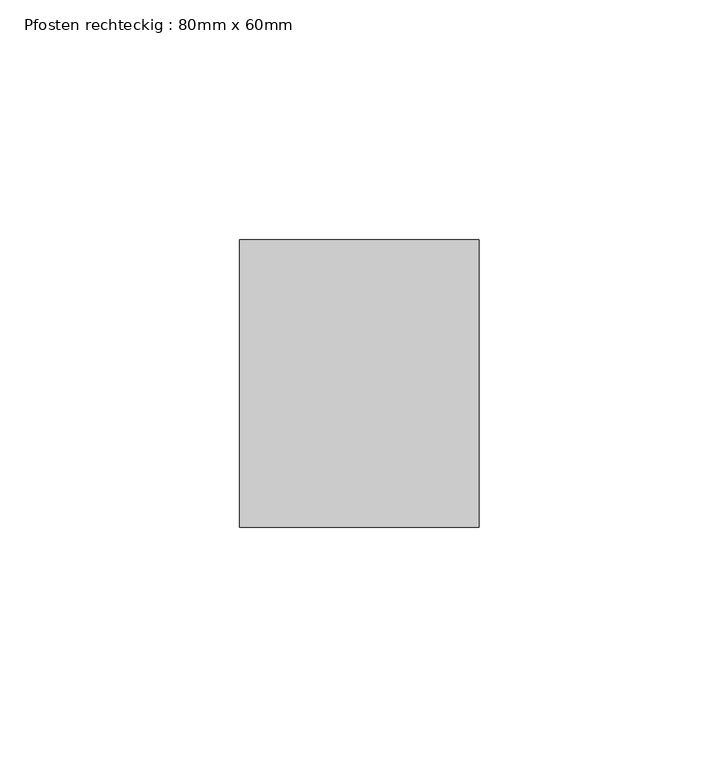
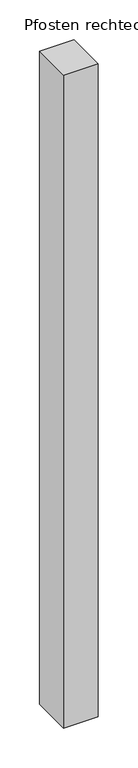
"""IFC4 building model written with IfcOpenShell, lengths in millimetres: member geometry, Pfosten rechteckig : 80mm x 60mm."""

from ifc_helpers import new_model, si_unit, frame, origin, place, context, project, spatial, polyline, outline, extrude, source, transform, mapped, element, save


def pfosten_rechteckig_80mm_x_60mm_8e4164a3(model_context):
    return source(origin(), model_context, "Body", "SweptSolid", [
        extrude(outline(polyline([(25.0, 30.0), (25.0, -30.0), (-25.0, -30.0), (-25.0, 30.0), (25.0, 30.0)])), frame((0.0, 0.0, -1000.0), z_axis=(0.0, 0.0, 1.0), x_axis=(1.0, 0.0, 0.0)), (0.0, 0.0, 1.0), 1000.0),
    ])


if __name__ == "__main__":
    model = new_model("IFC4")
    model_context = context("Model", 3, world=origin())
    ifc_project = project(units=[si_unit("LENGTHUNIT", "METRE", prefix="MILLI")], contexts=[model_context])
    site = spatial("IfcSite", under=ifc_project)
    building = spatial("IfcBuilding", under=site)
    placement = place(None, origin())
    pfosten_rechteckig_80mm_x_60mm_shape = pfosten_rechteckig_80mm_x_60mm_8e4164a3(model_context)
    element("IfcMember", 1, ObjectType="Pfosten rechteckig : 80mm x 60mm", at=placement, inside=building, context=model_context, shape_type="MappedRepresentation", body=[
        mapped(pfosten_rechteckig_80mm_x_60mm_shape, transform((0.0, 0.0, 0.0), x_axis=(1.0, 0.0, 0.0), y_axis=(0.0, 1.0, 0.0), z_axis=(0.0, 0.0, 1.0))),
    ])
    save(model, "model.ifc")
